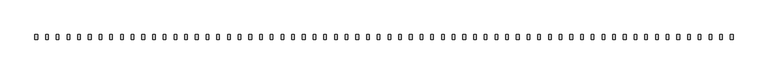
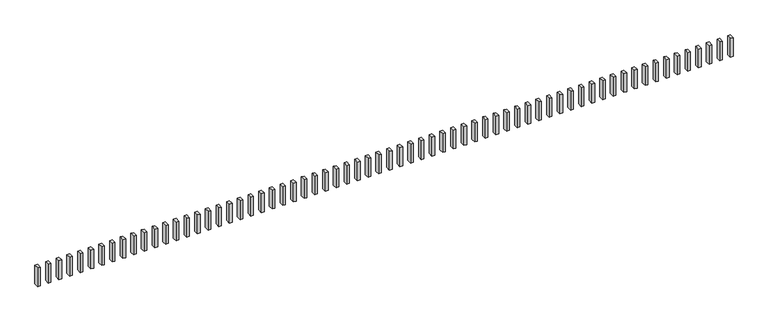
"""IFC4 building model written with IfcOpenShell, lengths in millimetres: railing geometry."""

from ifc_helpers import new_model, si_unit, frame, origin, place, context, project, spatial, polyline, outline, extrude, source, transform, mapped, element, save


def railing_bf5a00c0(model_context):
    return source(origin(), model_context, "Body", "SweptSolid", [
        extrude(outline(polyline([(-3273.1368734, -7586.7880996), (-3243.1368734, -7586.7880996), (-3243.1368734, -7639.1640045), (-3273.1368734, -7639.1640045), (-3273.1368734, -7586.7880996)])), frame((0.0, 0.0, 3043.3946717), z_axis=(0.0, 0.0, 1.0), x_axis=(1.0, 0.0, 0.0)), (0.0, 0.0, 1.0), 223.0),
        extrude(outline(polyline([(-3393.1368734, -7586.7880996), (-3363.1368734, -7586.7880996), (-3363.1368734, -7639.1640045), (-3393.1368734, -7639.1640045), (-3393.1368734, -7586.7880996)])), frame((0.0, 0.0, 3043.3946717), z_axis=(0.0, 0.0, 1.0), x_axis=(1.0, 0.0, 0.0)), (0.0, 0.0, 1.0), 223.0),
        extrude(outline(polyline([(-3513.1368734, -7586.7880996), (-3483.1368734, -7586.7880996), (-3483.1368734, -7639.1640045), (-3513.1368734, -7639.1640045), (-3513.1368734, -7586.7880996)])), frame((0.0, 0.0, 3043.3946717), z_axis=(0.0, 0.0, 1.0), x_axis=(1.0, 0.0, 0.0)), (0.0, 0.0, 1.0), 223.0),
        extrude(outline(polyline([(-3633.1368734, -7586.7880996), (-3603.1368734, -7586.7880996), (-3603.1368734, -7639.1640045), (-3633.1368734, -7639.1640045), (-3633.1368734, -7586.7880996)])), frame((0.0, 0.0, 3043.3946717), z_axis=(0.0, 0.0, 1.0), x_axis=(1.0, 0.0, 0.0)), (0.0, 0.0, 1.0), 223.0),
        extrude(outline(polyline([(-3753.1368734, -7586.7880996), (-3723.1368734, -7586.7880996), (-3723.1368734, -7639.1640045), (-3753.1368734, -7639.1640045), (-3753.1368734, -7586.7880996)])), frame((0.0, 0.0, 3043.3946717), z_axis=(0.0, 0.0, 1.0), x_axis=(1.0, 0.0, 0.0)), (0.0, 0.0, 1.0), 223.0),
        extrude(outline(polyline([(-3873.1368734, -7586.7880996), (-3843.1368734, -7586.7880996), (-3843.1368734, -7639.1640045), (-3873.1368734, -7639.1640045), (-3873.1368734, -7586.7880996)])), frame((0.0, 0.0, 3043.3946717), z_axis=(0.0, 0.0, 1.0), x_axis=(1.0, 0.0, 0.0)), (0.0, 0.0, 1.0), 223.0),
        extrude(outline(polyline([(-3993.1368734, -7586.7880996), (-3963.1368734, -7586.7880996), (-3963.1368734, -7639.1640045), (-3993.1368734, -7639.1640045), (-3993.1368734, -7586.7880996)])), frame((0.0, 0.0, 3043.3946717), z_axis=(0.0, 0.0, 1.0), x_axis=(1.0, 0.0, 0.0)), (0.0, 0.0, 1.0), 223.0),
        extrude(outline(polyline([(-4113.1368734, -7586.7880996), (-4083.1368734, -7586.7880996), (-4083.1368734, -7639.1640045), (-4113.1368734, -7639.1640045), (-4113.1368734, -7586.7880996)])), frame((0.0, 0.0, 3043.3946717), z_axis=(0.0, 0.0, 1.0), x_axis=(1.0, 0.0, 0.0)), (0.0, 0.0, 1.0), 223.0),
        extrude(outline(polyline([(-4233.1368734, -7586.7880996), (-4203.1368734, -7586.7880996), (-4203.1368734, -7639.1640045), (-4233.1368734, -7639.1640045), (-4233.1368734, -7586.7880996)])), frame((0.0, 0.0, 3043.3946717), z_axis=(0.0, 0.0, 1.0), x_axis=(1.0, 0.0, 0.0)), (0.0, 0.0, 1.0), 223.0),
        extrude(outline(polyline([(-4353.1368734, -7586.7880996), (-4323.1368734, -7586.7880996), (-4323.1368734, -7639.1640045), (-4353.1368734, -7639.1640045), (-4353.1368734, -7586.7880996)])), frame((0.0, 0.0, 3043.3946717), z_axis=(0.0, 0.0, 1.0), x_axis=(1.0, 0.0, 0.0)), (0.0, 0.0, 1.0), 223.0),
        extrude(outline(polyline([(-4473.1368734, -7586.7880996), (-4443.1368734, -7586.7880996), (-4443.1368734, -7639.1640045), (-4473.1368734, -7639.1640045), (-4473.1368734, -7586.7880996)])), frame((0.0, 0.0, 3043.3946717), z_axis=(0.0, 0.0, 1.0), x_axis=(1.0, 0.0, 0.0)), (0.0, 0.0, 1.0), 223.0),
        extrude(outline(polyline([(-4593.1368734, -7586.7880996), (-4563.1368734, -7586.7880996), (-4563.1368734, -7639.1640045), (-4593.1368734, -7639.1640045), (-4593.1368734, -7586.7880996)])), frame((0.0, 0.0, 3043.3946717), z_axis=(0.0, 0.0, 1.0), x_axis=(1.0, 0.0, 0.0)), (0.0, 0.0, 1.0), 223.0),
        extrude(outline(polyline([(-4713.1368734, -7586.7880996), (-4683.1368734, -7586.7880996), (-4683.1368734, -7639.1640045), (-4713.1368734, -7639.1640045), (-4713.1368734, -7586.7880996)])), frame((0.0, 0.0, 3043.3946717), z_axis=(0.0, 0.0, 1.0), x_axis=(1.0, 0.0, 0.0)), (0.0, 0.0, 1.0), 223.0),
        extrude(outline(polyline([(-4833.1368734, -7586.7880996), (-4803.1368734, -7586.7880996), (-4803.1368734, -7639.1640045), (-4833.1368734, -7639.1640045), (-4833.1368734, -7586.7880996)])), frame((0.0, 0.0, 3043.3946717), z_axis=(0.0, 0.0, 1.0), x_axis=(1.0, 0.0, 0.0)), (0.0, 0.0, 1.0), 223.0),
        extrude(outline(polyline([(-4953.1368734, -7586.7880996), (-4923.1368734, -7586.7880996), (-4923.1368734, -7639.1640045), (-4953.1368734, -7639.1640045), (-4953.1368734, -7586.7880996)])), frame((0.0, 0.0, 3043.3946717), z_axis=(0.0, 0.0, 1.0), x_axis=(1.0, 0.0, 0.0)), (0.0, 0.0, 1.0), 223.0),
        extrude(outline(polyline([(-5073.1368734, -7586.7880996), (-5043.1368734, -7586.7880996), (-5043.1368734, -7639.1640045), (-5073.1368734, -7639.1640045), (-5073.1368734, -7586.7880996)])), frame((0.0, 0.0, 3043.3946717), z_axis=(0.0, 0.0, 1.0), x_axis=(1.0, 0.0, 0.0)), (0.0, 0.0, 1.0), 223.0),
        extrude(outline(polyline([(-5193.1368734, -7586.7880996), (-5163.1368734, -7586.7880996), (-5163.1368734, -7639.1640045), (-5193.1368734, -7639.1640045), (-5193.1368734, -7586.7880996)])), frame((0.0, 0.0, 3043.3946717), z_axis=(0.0, 0.0, 1.0), x_axis=(1.0, 0.0, 0.0)), (0.0, 0.0, 1.0), 223.0),
        extrude(outline(polyline([(-5313.1368734, -7586.7880996), (-5283.1368734, -7586.7880996), (-5283.1368734, -7639.1640045), (-5313.1368734, -7639.1640045), (-5313.1368734, -7586.7880996)])), frame((0.0, 0.0, 3043.3946717), z_axis=(0.0, 0.0, 1.0), x_axis=(1.0, 0.0, 0.0)), (0.0, 0.0, 1.0), 223.0),
        extrude(outline(polyline([(-5433.1368734, -7586.7880996), (-5403.1368734, -7586.7880996), (-5403.1368734, -7639.1640045), (-5433.1368734, -7639.1640045), (-5433.1368734, -7586.7880996)])), frame((0.0, 0.0, 3043.3946717), z_axis=(0.0, 0.0, 1.0), x_axis=(1.0, 0.0, 0.0)), (0.0, 0.0, 1.0), 223.0),
        extrude(outline(polyline([(-5553.1368734, -7586.7880996), (-5523.1368734, -7586.7880996), (-5523.1368734, -7639.1640045), (-5553.1368734, -7639.1640045), (-5553.1368734, -7586.7880996)])), frame((0.0, 0.0, 3043.3946717), z_axis=(0.0, 0.0, 1.0), x_axis=(1.0, 0.0, 0.0)), (0.0, 0.0, 1.0), 223.0),
        extrude(outline(polyline([(-5673.1368734, -7586.7880996), (-5643.1368734, -7586.7880996), (-5643.1368734, -7639.1640045), (-5673.1368734, -7639.1640045), (-5673.1368734, -7586.7880996)])), frame((0.0, 0.0, 3043.3946717), z_axis=(0.0, 0.0, 1.0), x_axis=(1.0, 0.0, 0.0)), (0.0, 0.0, 1.0), 223.0),
        extrude(outline(polyline([(-5793.1368734, -7586.7880996), (-5763.1368734, -7586.7880996), (-5763.1368734, -7639.1640045), (-5793.1368734, -7639.1640045), (-5793.1368734, -7586.7880996)])), frame((0.0, 0.0, 3043.3946717), z_axis=(0.0, 0.0, 1.0), x_axis=(1.0, 0.0, 0.0)), (0.0, 0.0, 1.0), 223.0),
        extrude(outline(polyline([(-5913.1368734, -7586.7880996), (-5883.1368734, -7586.7880996), (-5883.1368734, -7639.1640045), (-5913.1368734, -7639.1640045), (-5913.1368734, -7586.7880996)])), frame((0.0, 0.0, 3043.3946717), z_axis=(0.0, 0.0, 1.0), x_axis=(1.0, 0.0, 0.0)), (0.0, 0.0, 1.0), 223.0),
        extrude(outline(polyline([(-6033.1368734, -7586.7880996), (-6003.1368734, -7586.7880996), (-6003.1368734, -7639.1640045), (-6033.1368734, -7639.1640045), (-6033.1368734, -7586.7880996)])), frame((0.0, 0.0, 3043.3946717), z_axis=(0.0, 0.0, 1.0), x_axis=(1.0, 0.0, 0.0)), (0.0, 0.0, 1.0), 223.0),
        extrude(outline(polyline([(-6153.1368734, -7586.7880996), (-6123.1368734, -7586.7880996), (-6123.1368734, -7639.1640045), (-6153.1368734, -7639.1640045), (-6153.1368734, -7586.7880996)])), frame((0.0, 0.0, 3043.3946717), z_axis=(0.0, 0.0, 1.0), x_axis=(1.0, 0.0, 0.0)), (0.0, 0.0, 1.0), 223.0),
        extrude(outline(polyline([(-6273.1368734, -7586.7880996), (-6243.1368734, -7586.7880996), (-6243.1368734, -7639.1640045), (-6273.1368734, -7639.1640045), (-6273.1368734, -7586.7880996)])), frame((0.0, 0.0, 3043.3946717), z_axis=(0.0, 0.0, 1.0), x_axis=(1.0, 0.0, 0.0)), (0.0, 0.0, 1.0), 223.0),
        extrude(outline(polyline([(-6393.1368734, -7586.7880996), (-6363.1368734, -7586.7880996), (-6363.1368734, -7639.1640045), (-6393.1368734, -7639.1640045), (-6393.1368734, -7586.7880996)])), frame((0.0, 0.0, 3043.3946717), z_axis=(0.0, 0.0, 1.0), x_axis=(1.0, 0.0, 0.0)), (0.0, 0.0, 1.0), 223.0),
        extrude(outline(polyline([(-6513.1368734, -7586.7880996), (-6483.1368734, -7586.7880996), (-6483.1368734, -7639.1640045), (-6513.1368734, -7639.1640045), (-6513.1368734, -7586.7880996)])), frame((0.0, 0.0, 3043.3946717), z_axis=(0.0, 0.0, 1.0), x_axis=(1.0, 0.0, 0.0)), (0.0, 0.0, 1.0), 223.0),
        extrude(outline(polyline([(-6633.1368734, -7586.7880996), (-6603.1368734, -7586.7880996), (-6603.1368734, -7639.1640045), (-6633.1368734, -7639.1640045), (-6633.1368734, -7586.7880996)])), frame((0.0, 0.0, 3043.3946717), z_axis=(0.0, 0.0, 1.0), x_axis=(1.0, 0.0, 0.0)), (0.0, 0.0, 1.0), 223.0),
        extrude(outline(polyline([(-6753.1368734, -7586.7880996), (-6723.1368734, -7586.7880996), (-6723.1368734, -7639.1640045), (-6753.1368734, -7639.1640045), (-6753.1368734, -7586.7880996)])), frame((0.0, 0.0, 3043.3946717), z_axis=(0.0, 0.0, 1.0), x_axis=(1.0, 0.0, 0.0)), (0.0, 0.0, 1.0), 223.0),
        extrude(outline(polyline([(-6873.1368734, -7586.7880996), (-6843.1368734, -7586.7880996), (-6843.1368734, -7639.1640045), (-6873.1368734, -7639.1640045), (-6873.1368734, -7586.7880996)])), frame((0.0, 0.0, 3043.3946717), z_axis=(0.0, 0.0, 1.0), x_axis=(1.0, 0.0, 0.0)), (0.0, 0.0, 1.0), 223.0),
        extrude(outline(polyline([(-6993.1368734, -7586.7880996), (-6963.1368734, -7586.7880996), (-6963.1368734, -7639.1640045), (-6993.1368734, -7639.1640045), (-6993.1368734, -7586.7880996)])), frame((0.0, 0.0, 3043.3946717), z_axis=(0.0, 0.0, 1.0), x_axis=(1.0, 0.0, 0.0)), (0.0, 0.0, 1.0), 223.0),
        extrude(outline(polyline([(-7113.1368734, -7586.7880996), (-7083.1368734, -7586.7880996), (-7083.1368734, -7639.1640045), (-7113.1368734, -7639.1640045), (-7113.1368734, -7586.7880996)])), frame((0.0, 0.0, 3043.3946717), z_axis=(0.0, 0.0, 1.0), x_axis=(1.0, 0.0, 0.0)), (0.0, 0.0, 1.0), 223.0),
        extrude(outline(polyline([(-7233.1368734, -7586.7880996), (-7203.1368734, -7586.7880996), (-7203.1368734, -7639.1640045), (-7233.1368734, -7639.1640045), (-7233.1368734, -7586.7880996)])), frame((0.0, 0.0, 3043.3946717), z_axis=(0.0, 0.0, 1.0), x_axis=(1.0, 0.0, 0.0)), (0.0, 0.0, 1.0), 223.0),
        extrude(outline(polyline([(-7353.1368734, -7586.7880996), (-7323.1368734, -7586.7880996), (-7323.1368734, -7639.1640045), (-7353.1368734, -7639.1640045), (-7353.1368734, -7586.7880996)])), frame((0.0, 0.0, 3043.3946717), z_axis=(0.0, 0.0, 1.0), x_axis=(1.0, 0.0, 0.0)), (0.0, 0.0, 1.0), 223.0),
        extrude(outline(polyline([(-7473.1368734, -7586.7880996), (-7443.1368734, -7586.7880996), (-7443.1368734, -7639.1640045), (-7473.1368734, -7639.1640045), (-7473.1368734, -7586.7880996)])), frame((0.0, 0.0, 3043.3946717), z_axis=(0.0, 0.0, 1.0), x_axis=(1.0, 0.0, 0.0)), (0.0, 0.0, 1.0), 223.0),
        extrude(outline(polyline([(-7593.1368734, -7586.7880996), (-7563.1368734, -7586.7880996), (-7563.1368734, -7639.1640045), (-7593.1368734, -7639.1640045), (-7593.1368734, -7586.7880996)])), frame((0.0, 0.0, 3043.3946717), z_axis=(0.0, 0.0, 1.0), x_axis=(1.0, 0.0, 0.0)), (0.0, 0.0, 1.0), 223.0),
        extrude(outline(polyline([(-7713.1368734, -7586.7880996), (-7683.1368734, -7586.7880996), (-7683.1368734, -7639.1640045), (-7713.1368734, -7639.1640045), (-7713.1368734, -7586.7880996)])), frame((0.0, 0.0, 3043.3946717), z_axis=(0.0, 0.0, 1.0), x_axis=(1.0, 0.0, 0.0)), (0.0, 0.0, 1.0), 223.0),
        extrude(outline(polyline([(-7833.1368734, -7586.7880996), (-7803.1368734, -7586.7880996), (-7803.1368734, -7639.1640045), (-7833.1368734, -7639.1640045), (-7833.1368734, -7586.7880996)])), frame((0.0, 0.0, 3043.3946717), z_axis=(0.0, 0.0, 1.0), x_axis=(1.0, 0.0, 0.0)), (0.0, 0.0, 1.0), 223.0),
        extrude(outline(polyline([(-7953.1368734, -7586.7880996), (-7923.1368734, -7586.7880996), (-7923.1368734, -7639.1640045), (-7953.1368734, -7639.1640045), (-7953.1368734, -7586.7880996)])), frame((0.0, 0.0, 3043.3946717), z_axis=(0.0, 0.0, 1.0), x_axis=(1.0, 0.0, 0.0)), (0.0, 0.0, 1.0), 223.0),
        extrude(outline(polyline([(-8073.1368734, -7586.7880996), (-8043.1368734, -7586.7880996), (-8043.1368734, -7639.1640045), (-8073.1368734, -7639.1640045), (-8073.1368734, -7586.7880996)])), frame((0.0, 0.0, 3043.3946717), z_axis=(0.0, 0.0, 1.0), x_axis=(1.0, 0.0, 0.0)), (0.0, 0.0, 1.0), 223.0),
        extrude(outline(polyline([(-8193.1368734, -7586.7880996), (-8163.1368734, -7586.7880996), (-8163.1368734, -7639.1640045), (-8193.1368734, -7639.1640045), (-8193.1368734, -7586.7880996)])), frame((0.0, 0.0, 3043.3946717), z_axis=(0.0, 0.0, 1.0), x_axis=(1.0, 0.0, 0.0)), (0.0, 0.0, 1.0), 223.0),
        extrude(outline(polyline([(-8313.1368734, -7586.7880996), (-8283.1368734, -7586.7880996), (-8283.1368734, -7639.1640045), (-8313.1368734, -7639.1640045), (-8313.1368734, -7586.7880996)])), frame((0.0, 0.0, 3043.3946717), z_axis=(0.0, 0.0, 1.0), x_axis=(1.0, 0.0, 0.0)), (0.0, 0.0, 1.0), 223.0),
        extrude(outline(polyline([(-8433.1368734, -7586.7880996), (-8403.1368734, -7586.7880996), (-8403.1368734, -7639.1640045), (-8433.1368734, -7639.1640045), (-8433.1368734, -7586.7880996)])), frame((0.0, 0.0, 3043.3946717), z_axis=(0.0, 0.0, 1.0), x_axis=(1.0, 0.0, 0.0)), (0.0, 0.0, 1.0), 223.0),
        extrude(outline(polyline([(-8553.1368734, -7586.7880996), (-8523.1368734, -7586.7880996), (-8523.1368734, -7639.1640045), (-8553.1368734, -7639.1640045), (-8553.1368734, -7586.7880996)])), frame((0.0, 0.0, 3043.3946717), z_axis=(0.0, 0.0, 1.0), x_axis=(1.0, 0.0, 0.0)), (0.0, 0.0, 1.0), 223.0),
        extrude(outline(polyline([(-8673.1368734, -7586.7880996), (-8643.1368734, -7586.7880996), (-8643.1368734, -7639.1640045), (-8673.1368734, -7639.1640045), (-8673.1368734, -7586.7880996)])), frame((0.0, 0.0, 3043.3946717), z_axis=(0.0, 0.0, 1.0), x_axis=(1.0, 0.0, 0.0)), (0.0, 0.0, 1.0), 223.0),
        extrude(outline(polyline([(-8793.1368734, -7586.7880996), (-8763.1368734, -7586.7880996), (-8763.1368734, -7639.1640045), (-8793.1368734, -7639.1640045), (-8793.1368734, -7586.7880996)])), frame((0.0, 0.0, 3043.3946717), z_axis=(0.0, 0.0, 1.0), x_axis=(1.0, 0.0, 0.0)), (0.0, 0.0, 1.0), 223.0),
        extrude(outline(polyline([(-8913.1368734, -7586.7880996), (-8883.1368734, -7586.7880996), (-8883.1368734, -7639.1640045), (-8913.1368734, -7639.1640045), (-8913.1368734, -7586.7880996)])), frame((0.0, 0.0, 3043.3946717), z_axis=(0.0, 0.0, 1.0), x_axis=(1.0, 0.0, 0.0)), (0.0, 0.0, 1.0), 223.0),
        extrude(outline(polyline([(-9033.1368734, -7586.7880996), (-9003.1368734, -7586.7880996), (-9003.1368734, -7639.1640045), (-9033.1368734, -7639.1640045), (-9033.1368734, -7586.7880996)])), frame((0.0, 0.0, 3043.3946717), z_axis=(0.0, 0.0, 1.0), x_axis=(1.0, 0.0, 0.0)), (0.0, 0.0, 1.0), 223.0),
        extrude(outline(polyline([(-9153.1368734, -7586.7880996), (-9123.1368734, -7586.7880996), (-9123.1368734, -7639.1640045), (-9153.1368734, -7639.1640045), (-9153.1368734, -7586.7880996)])), frame((0.0, 0.0, 3043.3946717), z_axis=(0.0, 0.0, 1.0), x_axis=(1.0, 0.0, 0.0)), (0.0, 0.0, 1.0), 223.0),
        extrude(outline(polyline([(-9273.1368734, -7586.7880996), (-9243.1368734, -7586.7880996), (-9243.1368734, -7639.1640045), (-9273.1368734, -7639.1640045), (-9273.1368734, -7586.7880996)])), frame((0.0, 0.0, 3043.3946717), z_axis=(0.0, 0.0, 1.0), x_axis=(1.0, 0.0, 0.0)), (0.0, 0.0, 1.0), 223.0),
        extrude(outline(polyline([(-9393.1368734, -7586.7880996), (-9363.1368734, -7586.7880996), (-9363.1368734, -7639.1640045), (-9393.1368734, -7639.1640045), (-9393.1368734, -7586.7880996)])), frame((0.0, 0.0, 3043.3946717), z_axis=(0.0, 0.0, 1.0), x_axis=(1.0, 0.0, 0.0)), (0.0, 0.0, 1.0), 223.0),
        extrude(outline(polyline([(-9513.1368734, -7586.7880996), (-9483.1368734, -7586.7880996), (-9483.1368734, -7639.1640045), (-9513.1368734, -7639.1640045), (-9513.1368734, -7586.7880996)])), frame((0.0, 0.0, 3043.3946717), z_axis=(0.0, 0.0, 1.0), x_axis=(1.0, 0.0, 0.0)), (0.0, 0.0, 1.0), 223.0),
        extrude(outline(polyline([(-9633.1368734, -7586.7880996), (-9603.1368734, -7586.7880996), (-9603.1368734, -7639.1640045), (-9633.1368734, -7639.1640045), (-9633.1368734, -7586.7880996)])), frame((0.0, 0.0, 3043.3946717), z_axis=(0.0, 0.0, 1.0), x_axis=(1.0, 0.0, 0.0)), (0.0, 0.0, 1.0), 223.0),
        extrude(outline(polyline([(-9753.1368734, -7586.7880996), (-9723.1368734, -7586.7880996), (-9723.1368734, -7639.1640045), (-9753.1368734, -7639.1640045), (-9753.1368734, -7586.7880996)])), frame((0.0, 0.0, 3043.3946717), z_axis=(0.0, 0.0, 1.0), x_axis=(1.0, 0.0, 0.0)), (0.0, 0.0, 1.0), 223.0),
        extrude(outline(polyline([(-9873.1368734, -7586.7880996), (-9843.1368734, -7586.7880996), (-9843.1368734, -7639.1640045), (-9873.1368734, -7639.1640045), (-9873.1368734, -7586.7880996)])), frame((0.0, 0.0, 3043.3946717), z_axis=(0.0, 0.0, 1.0), x_axis=(1.0, 0.0, 0.0)), (0.0, 0.0, 1.0), 223.0),
        extrude(outline(polyline([(-9993.1368734, -7586.7880996), (-9963.1368734, -7586.7880996), (-9963.1368734, -7639.1640045), (-9993.1368734, -7639.1640045), (-9993.1368734, -7586.7880996)])), frame((0.0, 0.0, 3043.3946717), z_axis=(0.0, 0.0, 1.0), x_axis=(1.0, 0.0, 0.0)), (0.0, 0.0, 1.0), 223.0),
        extrude(outline(polyline([(-10113.1368734, -7586.7880996), (-10083.1368734, -7586.7880996), (-10083.1368734, -7639.1640045), (-10113.1368734, -7639.1640045), (-10113.1368734, -7586.7880996)])), frame((0.0, 0.0, 3043.3946717), z_axis=(0.0, 0.0, 1.0), x_axis=(1.0, 0.0, 0.0)), (0.0, 0.0, 1.0), 223.0),
        extrude(outline(polyline([(-10233.1368734, -7586.7880996), (-10203.1368734, -7586.7880996), (-10203.1368734, -7639.1640045), (-10233.1368734, -7639.1640045), (-10233.1368734, -7586.7880996)])), frame((0.0, 0.0, 3043.3946717), z_axis=(0.0, 0.0, 1.0), x_axis=(1.0, 0.0, 0.0)), (0.0, 0.0, 1.0), 223.0),
        extrude(outline(polyline([(-10353.1368734, -7586.7880996), (-10323.1368734, -7586.7880996), (-10323.1368734, -7639.1640045), (-10353.1368734, -7639.1640045), (-10353.1368734, -7586.7880996)])), frame((0.0, 0.0, 3043.3946717), z_axis=(0.0, 0.0, 1.0), x_axis=(1.0, 0.0, 0.0)), (0.0, 0.0, 1.0), 223.0),
        extrude(outline(polyline([(-10473.1368734, -7586.7880996), (-10443.1368734, -7586.7880996), (-10443.1368734, -7639.1640045), (-10473.1368734, -7639.1640045), (-10473.1368734, -7586.7880996)])), frame((0.0, 0.0, 3043.3946717), z_axis=(0.0, 0.0, 1.0), x_axis=(1.0, 0.0, 0.0)), (0.0, 0.0, 1.0), 223.0),
        extrude(outline(polyline([(-10593.1368734, -7586.7880996), (-10563.1368734, -7586.7880996), (-10563.1368734, -7639.1640045), (-10593.1368734, -7639.1640045), (-10593.1368734, -7586.7880996)])), frame((0.0, 0.0, 3043.3946717), z_axis=(0.0, 0.0, 1.0), x_axis=(1.0, 0.0, 0.0)), (0.0, 0.0, 1.0), 223.0),
        extrude(outline(polyline([(-10713.1368734, -7586.7880996), (-10683.1368734, -7586.7880996), (-10683.1368734, -7639.1640045), (-10713.1368734, -7639.1640045), (-10713.1368734, -7586.7880996)])), frame((0.0, 0.0, 3043.3946717), z_axis=(0.0, 0.0, 1.0), x_axis=(1.0, 0.0, 0.0)), (0.0, 0.0, 1.0), 223.0),
        extrude(outline(polyline([(-10833.1368734, -7586.7880996), (-10803.1368734, -7586.7880996), (-10803.1368734, -7639.1640045), (-10833.1368734, -7639.1640045), (-10833.1368734, -7586.7880996)])), frame((0.0, 0.0, 3043.3946717), z_axis=(0.0, 0.0, 1.0), x_axis=(1.0, 0.0, 0.0)), (0.0, 0.0, 1.0), 223.0),
        extrude(outline(polyline([(-10953.1368734, -7586.7880996), (-10923.1368734, -7586.7880996), (-10923.1368734, -7639.1640045), (-10953.1368734, -7639.1640045), (-10953.1368734, -7586.7880996)])), frame((0.0, 0.0, 3043.3946717), z_axis=(0.0, 0.0, 1.0), x_axis=(1.0, 0.0, 0.0)), (0.0, 0.0, 1.0), 223.0),
        extrude(outline(polyline([(-11073.1368734, -7586.7880996), (-11043.1368734, -7586.7880996), (-11043.1368734, -7639.1640045), (-11073.1368734, -7639.1640045), (-11073.1368734, -7586.7880996)])), frame((0.0, 0.0, 3043.3946717), z_axis=(0.0, 0.0, 1.0), x_axis=(1.0, 0.0, 0.0)), (0.0, 0.0, 1.0), 223.0),
    ])


if __name__ == "__main__":
    model = new_model("IFC4")
    model_context = context("Model", 3, world=origin())
    ifc_project = project(units=[si_unit("LENGTHUNIT", "METRE", prefix="MILLI")], contexts=[model_context])
    site = spatial("IfcSite", under=ifc_project)
    building = spatial("IfcBuilding", under=site)
    placement = place(None, origin())
    railing_shape = railing_bf5a00c0(model_context)
    element("IfcRailing", 1, at=placement, inside=building, context=model_context, shape_type="MappedRepresentation", body=[
        mapped(railing_shape, transform((0.0, 0.0, 0.0), x_axis=(1.0, 0.0, 0.0), y_axis=(0.0, 1.0, 0.0), z_axis=(0.0, 0.0, 1.0))),
    ])
    save(model, "model.ifc")
